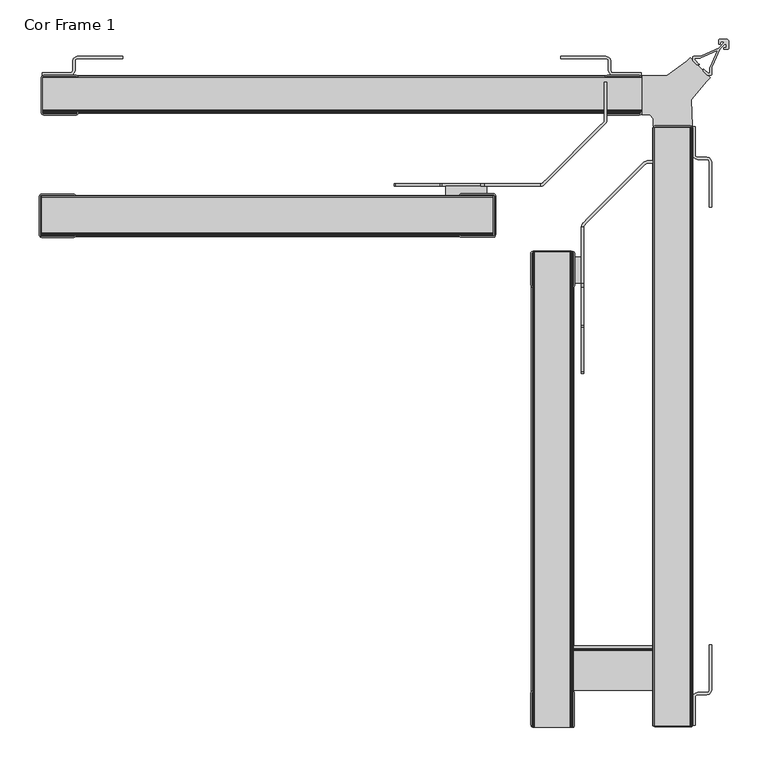
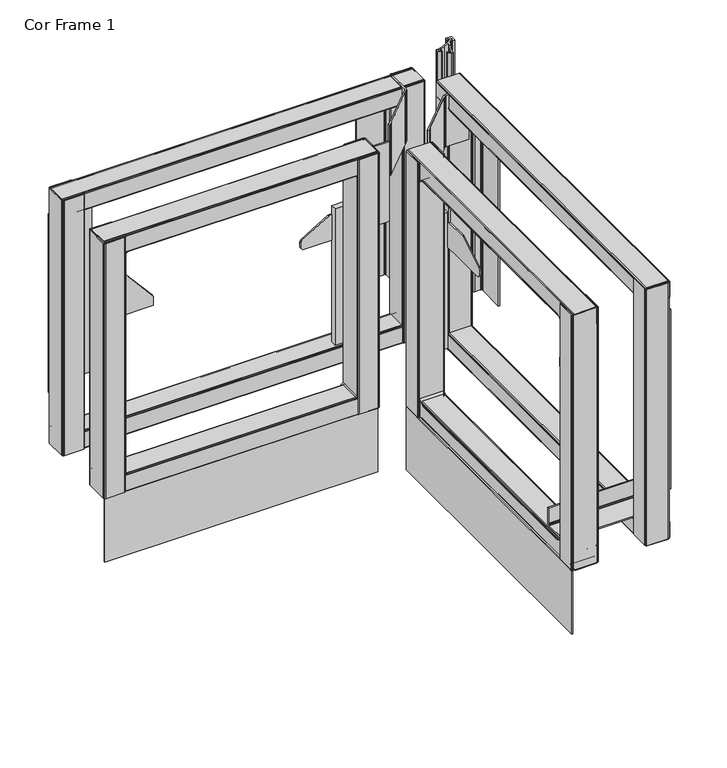
"""IFC4 building model written with IfcOpenShell, lengths in millimetres: furniture geometry, Cor Frame 1."""

from ifc_helpers import new_model, si_unit, point, frame, frame_2d, origin, origin_with_axes, place, context, project, spatial, polyline, circle_curve, trimmed, segment, composite_curve, outline, extrude, source, transform, mapped, element, save


def cor_frame_1_b9cc3aae(model_context):
    return source(origin(), model_context, "Body", "SweptSolid", [
        extrude(outline(polyline([(0.0, -226.566941), (573.0647824, -226.566941), (573.0647824, -228.5988664), (0.0, -228.5988664), (0.0, -226.566941)])), origin_with_axes(), (0.0, 0.0, 1.0), 142.2400006),
        extrude(outline(polyline([(685.3848199, -254.7622891), (685.3848199, -287.8070573), (675.2994826, -287.8070573), (675.2994826, -254.7622891), (685.3848199, -254.7622891)])), frame((0.0, 0.0, 270.8106843), z_axis=(0.0, 0.0, 1.0), x_axis=(1.0, 0.0, 0.0)), (0.0, 0.0, 1.0), 302.8186591),
        extrude(outline(polyline([(565.0267924, -164.8726753), (565.0267924, -176.7758205), (513.2720922, -176.7758205), (513.2720922, -164.8726753), (565.0267924, -164.8726753)])), frame((0.0, 0.0, 270.8106843), z_axis=(0.0, 0.0, 1.0), x_axis=(1.0, 0.0, 0.0)), (0.0, 0.0, 1.0), 302.8186591),
        extrude(outline(polyline([(-800.2294182, 497.0420085), (-803.3409198, 497.8757149), (-805.6186968, 500.1534828), (-806.4524214, 503.2649935), (-806.4524214, 580.3241343), (-802.2345465, 584.5420092), (-800.4044212, 586.37213), (-797.9044193, 587.0420019), (-781.0520959, 587.0420019), (-779.634845, 586.8369272), (-778.3338434, 586.2385626), (-777.2558114, 585.2959602), (-719.956134, 518.4463343), (-719.3000693, 517.4675786), (-718.8912553, 516.3624862), (-718.7524193, 515.1923904), (-718.7524193, 497.0420085), (-800.2294182, 497.0420085)])), frame((672.1244785, 0.0, 0.0), z_axis=(1.0, 0.0, 0.0), x_axis=(0.0, 1.0, 0.0)), (0.0, 0.0, 1.0), 2.9480724),
        extrude(outline(polyline([(497.0420085, 47.5022938), (497.0420085, 128.9792927), (515.1923904, 128.9792927), (516.3624862, 128.8404567), (517.4675786, 128.4316426), (518.4463343, 127.775578), (585.2959602, 70.4759006), (586.2385626, 69.3978686), (586.8369272, 68.096867), (587.0420019, 66.6796161), (587.0420019, 49.8272927), (586.37213, 47.3272908), (584.5420092, 45.4971654), (580.3241343, 41.2792906), (503.2649935, 41.2792906), (500.1534828, 42.1130152), (497.8757149, 44.3907922), (497.0420085, 47.5022938)])), frame((0.0, -181.5383205, 0.0), z_axis=(0.0, 1.0, 0.0), x_axis=(0.0, 0.0, 1.0)), (0.0, 0.0, 1.0), 2.9458206),
        extrude(outline(polyline([(-216.3709926, 497.0420085), (-397.8070473, 497.0420085), (-402.8070691, 502.041994), (-402.8070691, 514.2191214), (-400.3900291, 518.5002917), (-343.9985221, 552.5231423), (-341.4155402, 553.2419938), (-292.807061, 553.2419938), (-292.807061, 668.2419874), (-287.8070573, 673.2419729), (-216.3709926, 673.2419729), (-216.3709926, 497.0420085)])), frame((685.3848199, 0.0, 0.0), z_axis=(1.0, 0.0, 0.0), x_axis=(0.0, 1.0, 0.0)), (0.0, 0.0, 1.0), 3.0479971),
        extrude(outline(polyline([(497.0420085, 633.9198364), (673.2419729, 633.9198364), (673.2419729, 562.4837716), (668.2419874, 557.4837679), (553.2419938, 557.4837679), (553.2419938, 508.8752887), (552.5231423, 506.2923069), (518.5002917, 449.9007998), (514.2191214, 447.4837598), (502.041994, 447.4837598), (497.0420085, 452.4837817), (497.0420085, 633.9198364)])), frame((0.0, -164.8726753, 0.0), z_axis=(0.0, 1.0, 0.0), x_axis=(0.0, 0.0, 1.0)), (0.0, 0.0, 1.0), 3.0479971),
        extrude(outline(polyline([(633.8786218, -164.8647944), (633.8786218, -161.8167973), (634.7003739, -161.7085917), (635.4661157, -161.3913872), (636.1236882, -160.8868395), (637.5379006, -159.472609), (641.0734224, -155.9371416), (708.6148757, -88.3956248), (712.1504066, -84.8601574), (713.5646281, -83.4459269), (714.0691939, -82.7883362), (714.3863712, -82.0226126), (714.4945586, -81.2008604), (714.4945586, -32.7785254), (717.5425557, -32.7785254), (717.5425557, -81.2008604), (717.3305138, -82.8114453), (716.7088402, -84.3123711), (715.7198835, -85.6011732), (714.3056712, -87.0154038), (710.7701402, -90.5509438), (643.2286869, -158.092388), (639.6931469, -161.627928), (638.2789346, -163.0420859), (636.9901142, -164.0310517), (635.4892429, -164.6527434), (633.8786218, -164.8647944)])), frame((0.0, 0.0, 597.0420093), z_axis=(0.0, 0.0, 1.0), x_axis=(1.0, 0.0, 0.0)), (0.0, 0.0, 1.0), 113.7000003),
        extrude(outline(polyline([(685.3848199, -216.3709926), (685.596871, -214.7603714), (686.2185627, -213.2595001), (687.2075285, -211.9706798), (688.6216863, -210.5564674), (692.1572263, -207.0209274), (759.6986705, -139.4794741), (763.2342105, -135.9439432), (764.6484411, -134.5297308), (765.9372432, -133.5407741), (767.4381691, -132.9191005), (769.0487539, -132.7070586), (817.4710889, -132.7070586), (817.4710889, -135.7550557), (769.0487539, -135.7550557), (768.2270017, -135.8632432), (767.4612781, -136.1804204), (766.8036874, -136.6849862), (765.3894569, -138.0992077), (761.8539896, -141.6347386), (694.3124727, -209.1761919), (690.7770053, -212.7117137), (689.3627748, -214.1259261), (688.8582271, -214.7834986), (688.5410226, -215.5492404), (688.432817, -216.3709926), (685.3848199, -216.3709926)])), frame((0.0, 0.0, 597.0420093), z_axis=(0.0, 0.0, 1.0), x_axis=(1.0, 0.0, 0.0)), (0.0, 0.0, 1.0), 113.7000003),
        extrude(outline(polyline([(-224.6105092, 670.633925), (-226.4171717, 671.1180192), (-227.5793056, 672.2801498), (-227.8062373, 673.1270707), (-227.8062373, 707.4495339), (-227.1127976, 708.898009), (-225.805669, 709.8672858), (-224.6312332, 710.0924814), (-179.456232, 710.092486), (-177.8454079, 708.898009), (-177.1519681, 707.4495385), (-177.1519682, 705.3201518), (-177.1519687, 674.608229), (-177.7757757, 672.2801498), (-178.9379063, 671.1180192), (-180.7445705, 670.633925), (-224.6105092, 670.633925)]), holes=[composite_curve([segment(polyline([(-225.25623, 672.2730899), (-180.164026, 672.2730899)]), True, "CONTINUOUS"), segment(trimmed(circle_curve(frame_2d((-180.164026, 673.4793663)), 1.2062764), [point((-180.164026, 672.2730899))], [point((-178.9577496, 673.4793662))], True, "CARTESIAN"), True, "CONTINUOUS"), segment(polyline([(-178.9577496, 673.4793662), (-178.9577493, 706.8334351)]), True, "CONTINUOUS"), segment(trimmed(circle_curve(frame_2d((-180.2125782, 706.8334351)), 1.2548289), [point((-178.9577493, 706.8334351))], [point((-180.2125782, 708.088264))], True, "CARTESIAN"), True, "CONTINUOUS"), segment(polyline([(-180.2125782, 708.088264), (-225.1930729, 708.088264)]), True, "CONTINUOUS"), segment(trimmed(circle_curve(frame_2d((-225.1930729, 707.2312742)), 0.8569898), [point((-225.1930729, 708.088264))], [point((-226.0500627, 707.2312742))], True, "CARTESIAN"), True, "CONTINUOUS"), segment(polyline([(-226.0500627, 707.2312742), (-226.0500627, 706.1659872), (-226.0500627, 673.0669225)]), True, "CONTINUOUS"), segment(trimmed(circle_curve(frame_2d((-225.25623, 673.0669225)), 0.7938326), [point((-226.0500627, 673.0669225))], [point((-225.25623, 672.2730899))], True, "CARTESIAN"), True, "CONTINUOUS")], self_intersect=False)]), frame((0.0, 0.0, 0.0), z_axis=(1.0, 0.0, 0.0), x_axis=(0.0, 1.0, 0.0)), (0.0, 0.0, 1.0), 573.0647824),
        extrude(outline(polyline([(-225.4042592, 140.408925), (-227.2109217, 140.8930192), (-228.3730556, 142.0551498), (-228.5999873, 142.9020707), (-228.5999873, 177.2245339), (-227.9065476, 178.673009), (-226.599419, 179.6422858), (-225.4249832, 179.8674814), (-180.249982, 179.867486), (-178.6391579, 178.673009), (-177.9457181, 177.2245385), (-177.9457182, 175.0951518), (-177.9457187, 144.383229), (-178.5695257, 142.0551498), (-179.7316563, 140.8930192), (-181.5383205, 140.408925), (-225.4042592, 140.408925)]), holes=[composite_curve([segment(polyline([(-226.04998, 142.0480899), (-180.957776, 142.0480899)]), True, "CONTINUOUS"), segment(trimmed(circle_curve(frame_2d((-180.957776, 143.2543663)), 1.2062764), [point((-180.957776, 142.0480899))], [point((-179.7514996, 143.2543662))], True, "CARTESIAN"), True, "CONTINUOUS"), segment(polyline([(-179.7514996, 143.2543662), (-179.7514993, 176.6084351)]), True, "CONTINUOUS"), segment(trimmed(circle_curve(frame_2d((-181.0063282, 176.6084351)), 1.2548289), [point((-179.7514993, 176.6084351))], [point((-181.0063282, 177.863264))], True, "CARTESIAN"), True, "CONTINUOUS"), segment(polyline([(-181.0063282, 177.863264), (-225.9868229, 177.863264)]), True, "CONTINUOUS"), segment(trimmed(circle_curve(frame_2d((-225.9868229, 177.0062742)), 0.8569898), [point((-225.9868229, 177.863264))], [point((-226.8438127, 177.0062742))], True, "CARTESIAN"), True, "CONTINUOUS"), segment(polyline([(-226.8438127, 177.0062742), (-226.8438127, 175.9409872), (-226.8438127, 142.8419225)]), True, "CONTINUOUS"), segment(trimmed(circle_curve(frame_2d((-226.04998, 142.8419225)), 0.7938326), [point((-226.8438127, 142.8419225))], [point((-226.04998, 142.0480899))], True, "CARTESIAN"), True, "CONTINUOUS")], self_intersect=False)]), frame((0.0, 0.0, 0.0), z_axis=(1.0, 0.0, 0.0), x_axis=(0.0, 1.0, 0.0)), (0.0, 0.0, 1.0), 573.0647824),
        extrude(outline(polyline([(533.0843196, -229.8375756), (531.4968211, -229.4122062), (530.3346873, -228.2500757), (530.1077556, -227.4031548), (530.1077556, -177.1057998), (530.8011953, -175.6573248), (532.1083239, -174.688048), (533.2827592, -174.4628524), (574.4890115, -174.4628483), (576.0998349, -175.6573248), (576.7932747, -177.1057953), (576.7932747, -179.235182), (576.7932738, -225.9219975), (576.1694671, -228.2500757), (575.0073365, -229.4122063), (573.4198366, -229.8375756), (533.0843196, -229.8375756)]), holes=[composite_curve([segment(polyline([(532.6577628, -227.9325755), (573.7812164, -227.9325755)]), True, "CONTINUOUS"), segment(trimmed(circle_curve(frame_2d((573.7812164, -226.7262991)), 1.2062764), [point((573.7812164, -227.9325755))], [point((574.9874928, -226.7262992))], True, "CARTESIAN"), True, "CONTINUOUS"), segment(polyline([(574.9874928, -226.7262992), (574.9874936, -177.7218987)]), True, "CONTINUOUS"), segment(trimmed(circle_curve(frame_2d((573.7326647, -177.7218986)), 1.2548289), [point((574.9874936, -177.7218987))], [point((573.7326647, -176.4670698))], True, "CARTESIAN"), True, "CONTINUOUS"), segment(polyline([(573.7326647, -176.4670698), (532.72092, -176.4670698)]), True, "CONTINUOUS"), segment(trimmed(circle_curve(frame_2d((532.72092, -177.3240596)), 0.8569898), [point((532.72092, -176.4670698))], [point((531.8639302, -177.3240596))], True, "CARTESIAN"), True, "CONTINUOUS"), segment(polyline([(531.8639302, -177.3240596), (531.8639302, -178.3893466), (531.8639302, -227.1387429)]), True, "CONTINUOUS"), segment(trimmed(circle_curve(frame_2d((532.6577628, -227.1387429)), 0.7938326), [point((531.8639302, -227.1387429))], [point((532.6577628, -227.9325755))], True, "CARTESIAN"), True, "CONTINUOUS")], self_intersect=False)]), frame((0.0, 0.0, 142.2400006), z_axis=(0.0, 0.0, 1.0), x_axis=(1.0, 0.0, 0.0)), (0.0, 0.0, 1.0), 565.9119781),
        extrude(outline(polyline([(0.1933567, -230.2344506), (-1.3941418, -229.8090812), (-2.5562756, -228.6469507), (-2.7832073, -227.8000298), (-2.7832073, -177.5026748), (-2.0897676, -176.0541998), (-0.782639, -175.084923), (0.3917964, -174.8597274), (41.5980487, -174.8597233), (43.2088721, -176.0541998), (43.9023119, -177.5026703), (43.9023118, -179.632057), (43.902311, -226.3188725), (43.2785043, -228.6469507), (42.1163736, -229.8090813), (40.5288737, -230.2344506), (0.1933567, -230.2344506)]), holes=[composite_curve([segment(polyline([(-0.2332, -228.3294505), (40.8902535, -228.3294505)]), True, "CONTINUOUS"), segment(trimmed(circle_curve(frame_2d((40.8902535, -227.1231741)), 1.2062764), [point((40.8902535, -228.3294505))], [point((42.0965299, -227.1231742))], True, "CARTESIAN"), True, "CONTINUOUS"), segment(polyline([(42.0965299, -227.1231742), (42.0965307, -178.1187737)]), True, "CONTINUOUS"), segment(trimmed(circle_curve(frame_2d((40.8417018, -178.1187736)), 1.2548289), [point((42.0965307, -178.1187737))], [point((40.8417018, -176.8639448))], True, "CARTESIAN"), True, "CONTINUOUS"), segment(polyline([(40.8417018, -176.8639448), (-0.1700429, -176.8639448)]), True, "CONTINUOUS"), segment(trimmed(circle_curve(frame_2d((-0.1700429, -177.7209346)), 0.8569898), [point((-0.1700429, -176.8639448))], [point((-1.0270327, -177.7209346))], True, "CARTESIAN"), True, "CONTINUOUS"), segment(polyline([(-1.0270327, -177.7209346), (-1.0270327, -178.7862216), (-1.0270327, -227.5356179)]), True, "CONTINUOUS"), segment(trimmed(circle_curve(frame_2d((-0.2332, -227.5356179)), 0.7938326), [point((-1.0270327, -227.5356179))], [point((-0.2332, -228.3294505))], True, "CARTESIAN"), True, "CONTINUOUS")], self_intersect=False)]), frame((0.0, 0.0, 142.2400006), z_axis=(0.0, 0.0, 1.0), x_axis=(1.0, 0.0, 0.0)), (0.0, 0.0, 1.0), 565.9119781),
        extrude(outline(composite_curve([segment(trimmed(circle_curve(frame_2d((689.1019787, 19.681731)), 19.05), [point((708.1519787, 19.681731))], [point((689.1019787, 0.631731))], False, "CARTESIAN"), True, "CONTINUOUS"), segment(polyline([(689.1019787, 0.631731), (164.3379977, 0.631731)]), True, "CONTINUOUS"), segment(trimmed(circle_curve(frame_2d((164.3379977, 19.681731)), 19.05), [point((164.3379977, 0.631731))], [point((145.2879977, 19.681731))], False, "CARTESIAN"), True, "CONTINUOUS"), segment(polyline([(145.2879977, 19.681731), (145.2879977, 555.5017924)]), True, "CONTINUOUS"), segment(trimmed(circle_curve(frame_2d((164.3379977, 555.5017924)), 19.05), [point((145.2879977, 555.5017924))], [point((164.3379977, 574.5517924))], False, "CARTESIAN"), True, "CONTINUOUS"), segment(polyline([(164.3379977, 574.5517924), (689.1019787, 574.5517924)]), True, "CONTINUOUS"), segment(trimmed(circle_curve(frame_2d((689.1019787, 555.5017924)), 19.05), [point((689.1019787, 574.5517924))], [point((708.1519787, 555.5017924))], False, "CARTESIAN"), True, "CONTINUOUS"), segment(polyline([(708.1519787, 555.5017924), (708.1519787, 19.681731)]), True, "CONTINUOUS")], self_intersect=False), holes=[composite_curve([segment(polyline([(676.3210001, 60.3250015), (676.3210001, 514.2267909)]), True, "CONTINUOUS"), segment(trimmed(circle_curve(frame_2d((657.2710001, 514.2267909)), 19.05), [point((676.3210001, 514.2267909))], [point((657.2710001, 533.2767909))], True, "CARTESIAN"), True, "CONTINUOUS"), segment(polyline([(657.2710001, 533.2767909), (193.2638393, 533.2767909)]), True, "CONTINUOUS"), segment(trimmed(circle_curve(frame_2d((193.2638393, 514.2267909)), 19.05), [point((193.2638393, 533.2767909))], [point((174.2138393, 514.2267909))], True, "CARTESIAN"), True, "CONTINUOUS"), segment(polyline([(174.2138393, 514.2267909), (174.2138393, 60.3250015)]), True, "CONTINUOUS"), segment(trimmed(circle_curve(frame_2d((193.2638393, 60.3250015)), 19.05), [point((174.2138393, 60.3250015))], [point((193.2638393, 41.2750015))], True, "CARTESIAN"), True, "CONTINUOUS"), segment(polyline([(193.2638393, 41.2750015), (657.2710001, 41.2750015)]), True, "CONTINUOUS"), segment(trimmed(circle_curve(frame_2d((657.2710001, 60.3250015)), 19.05), [point((657.2710001, 41.2750015))], [point((676.3210001, 60.3250015))], True, "CARTESIAN"), True, "CONTINUOUS")], self_intersect=False)]), frame((0.0, -227.5757721, 0.0), z_axis=(0.0, 1.0, 0.0), x_axis=(0.0, 0.0, 1.0)), (0.0, 0.0, 1.0), 50.7999516),
        extrude(outline(polyline([(-749.0452291, 217.1649967), (-749.0452291, 183.3880068), (-749.8789537, 180.2764961), (-752.1567216, 177.9987282), (-755.2682141, 177.1650036), (-805.4952264, 177.1650036), (-805.4952264, 180.2130007), (-755.2682141, 180.2130007), (-753.6807202, 180.6383745), (-752.5186, 181.8004947), (-752.0932262, 183.3880068), (-752.0932262, 217.1649967), (-749.0452291, 217.1649967)])), frame((629.3807693, 0.0, 0.0), z_axis=(1.0, 0.0, 0.0), x_axis=(0.0, 1.0, 0.0)), (0.0, 0.0, 1.0), 192.2780165),
        extrude(outline(polyline([(776.7687206, -78.8763969), (771.7687351, -73.8763841), (761.999782, -73.8763467), (761.9999273, -24.853354), (793.9644007, -24.8534458), (818.8310193, -6.3585579), (823.225914, -1.96377), (848.6816277, -27.4196875), (844.2868162, -31.8145408), (824.89151, -54.7452231), (825.9938372, -88.6455368), (776.7687206, -88.6453954), (776.7687206, -78.8763969)])), frame((0.0, 0.0, 446.8009254), z_axis=(0.0, 0.0, 1.0), x_axis=(1.0, 0.0, 0.0)), (0.0, 0.0, 1.0), 3.1075138),
        extrude(outline(composite_curve([segment(polyline([(840.7142486, -16.1995263), (846.120508, -21.6057763), (847.5538778, -21.6223336)]), True, "CONTINUOUS"), segment(trimmed(circle_curve(frame_2d((847.5611598, -20.9919215)), 0.6304541), [point((847.5538778, -21.6223336))], [point((848.191614, -20.9919215))], True, "CARTESIAN"), True, "CONTINUOUS"), segment(polyline([(848.191614, -20.9919215), (848.191614, -15.9737661), (848.2500406, -15.1387278), (848.4240126, -14.3199426), (848.7103716, -13.5332399), (857.4882849, 6.18199), (856.8280781, 6.8421332), (845.5869764, 1.838026), (837.112203, -1.9351517), (836.3256231, -2.2214464), (835.5068504, -2.3954842), (834.6717997, -2.4538723), (829.8381843, -2.4538595)]), True, "CONTINUOUS"), segment(trimmed(circle_curve(frame_2d((829.8381821, -3.2667454)), 0.8128858), [point((829.8381843, -2.4538595))], [point((829.0253503, -3.2761143))], True, "CARTESIAN"), True, "CONTINUOUS"), segment(polyline([(829.0253503, -3.2761143), (829.0397453, -4.5250027), (834.537224, -10.0224718)]), True, "CONTINUOUS"), segment(trimmed(circle_curve(frame_2d((834.2442676, -10.3154288)), 0.4143033), [point((834.537224, -10.0224718))], [point((834.2413862, -10.729722))], False, "CARTESIAN"), True, "CONTINUOUS"), segment(polyline([(834.2413862, -10.729722), (831.9760065, -10.7139665), (826.6722116, -5.4100985), (826.6722826, -1.4541056)]), True, "CONTINUOUS"), segment(trimmed(circle_curve(frame_2d((827.9725591, -1.4541289)), 1.3002766), [point((826.6722826, -1.4541056))], [point((827.9725632, -0.1538524))], False, "CARTESIAN"), True, "CONTINUOUS"), segment(polyline([(827.9725632, -0.1538524), (834.1829487, -0.1538719), (835.0179995, -0.0954815), (835.8367722, 0.078554), (836.6233521, 0.3648487), (843.8449316, 3.5800822), (859.4952917, 10.5472485), (865.6680394, 16.7199656)]), True, "CONTINUOUS"), segment(trimmed(circle_curve(frame_2d((864.9098529, 17.4781558)), 1.0722403), [point((865.6680394, 16.7199656))], [point((864.909797, 18.5503961))], True, "CARTESIAN"), True, "CONTINUOUS"), segment(polyline([(864.909797, 18.5503961), (862.6601995, 18.5502789)]), True, "CONTINUOUS"), segment(trimmed(circle_curve(frame_2d((862.6602446, 17.6856276)), 0.8646513), [point((862.6601995, 18.5502789))], [point((861.7955933, 17.6855963))], True, "CARTESIAN"), True, "CONTINUOUS"), segment(polyline([(861.7955933, 17.6855963), (861.7956505, 16.1099291)]), True, "CONTINUOUS"), segment(trimmed(circle_curve(frame_2d((861.2330068, 16.1099087)), 0.5626437), [point((861.7956505, 16.1099291))], [point((861.2330362, 15.5472649))], False, "CARTESIAN"), True, "CONTINUOUS"), segment(polyline([(861.2330362, 15.5472649), (860.0371774, 15.5472023)]), True, "CONTINUOUS"), segment(trimmed(circle_curve(frame_2d((860.037149, 16.0887055)), 0.5415032), [point((860.0371774, 15.5472023))], [point((859.4956458, 16.0886793))], False, "CARTESIAN"), True, "CONTINUOUS"), segment(polyline([(859.4956458, 16.0886793), (859.495434, 20.4632737)]), True, "CONTINUOUS"), segment(trimmed(circle_curve(frame_2d((860.5822735, 20.4633263)), 1.0868395), [point((859.495434, 20.4632737))], [point((860.5822954, 21.5501659))], False, "CARTESIAN"), True, "CONTINUOUS"), segment(polyline([(860.5822954, 21.5501659), (870.1961575, 21.5499723), (871.1961691, 21.2820199), (871.9282465, 20.5499652), (872.1961807, 19.5499672), (872.1961077, 9.8060175)]), True, "CONTINUOUS"), segment(trimmed(circle_curve(frame_2d((871.2400515, 9.8060246)), 0.9560562), [point((872.1961077, 9.8060175))], [point((871.2400486, 8.8499684))], False, "CARTESIAN"), True, "CONTINUOUS"), segment(polyline([(871.2400486, 8.8499684), (866.7365405, 8.849982)]), True, "CONTINUOUS"), segment(trimmed(circle_curve(frame_2d((866.7365421, 9.39332)), 0.543338), [point((866.7365405, 8.849982))], [point((866.1932041, 9.39332))], False, "CARTESIAN"), True, "CONTINUOUS"), segment(polyline([(866.1932041, 9.39332), (866.1932041, 10.5520556)]), True, "CONTINUOUS"), segment(trimmed(circle_curve(frame_2d((866.7911304, 10.5520556)), 0.5979263), [point((866.1932041, 10.5520556))], [point((866.7911324, 11.1499819))], False, "CARTESIAN"), True, "CONTINUOUS"), segment(polyline([(866.7911324, 11.1499819), (868.573447, 11.1499758)]), True, "CONTINUOUS"), segment(trimmed(circle_curve(frame_2d((868.5734492, 11.7726725)), 0.6226967), [point((868.573447, 11.1499758))], [point((869.1961458, 11.7726725))], True, "CARTESIAN"), True, "CONTINUOUS"), segment(polyline([(869.1961458, 11.7726725), (869.1961458, 14.3572847)]), True, "CONTINUOUS"), segment(trimmed(circle_curve(frame_2d((868.1624249, 14.3572847)), 1.0337209), [point((869.1961458, 14.3572847))], [point((867.4314778, 15.0882397))], True, "CARTESIAN"), True, "CONTINUOUS"), segment(polyline([(867.4314778, 15.0882397), (861.1943665, 8.8511953), (854.2256207, -6.8006648), (851.0103373, -14.0222341), (850.7240175, -14.8088293), (850.5499729, -15.6276145), (850.4916189, -16.4626528), (850.4916189, -22.9129112)]), True, "CONTINUOUS"), segment(trimmed(circle_curve(frame_2d((849.4312197, -22.9129112)), 1.0603992), [point((850.4916189, -22.9129112))], [point((849.4312167, -23.9733104))], False, "CARTESIAN"), True, "CONTINUOUS"), segment(polyline([(849.4312167, -23.9733104), (845.2352687, -23.9732983), (839.9315183, -18.6694747), (839.9166319, -16.5331708)]), True, "CONTINUOUS"), segment(trimmed(circle_curve(frame_2d((840.3838604, -16.529915)), 0.4672399), [point((839.9166319, -16.5331708))], [point((840.7142486, -16.1995263))], False, "CARTESIAN"), True, "CONTINUOUS")], self_intersect=False)), frame((0.0, 0.0, 142.2400006), z_axis=(0.0, 0.0, 1.0), x_axis=(1.0, 0.0, 0.0)), (0.0, 0.0, 1.0), 567.85133),
        extrude(outline(polyline([(670.633925, 671.3100045), (671.1180192, 673.1166671), (672.2801498, 674.2788009), (673.1270707, 674.5057326), (707.4495339, 674.5057326), (708.898009, 673.8122929), (709.8672858, 672.5051643), (710.0924814, 671.3307285), (710.092486, 626.1557273), (708.898009, 624.5449032), (707.4495385, 623.8514635), (705.3201518, 623.8514635), (674.608229, 623.851464), (672.2801498, 624.475271), (671.1180192, 625.6374017), (670.633925, 627.4440659), (670.633925, 671.3100045)]), holes=[composite_curve([segment(polyline([(672.2730899, 671.9557254), (672.2730899, 626.8635213)]), True, "CONTINUOUS"), segment(trimmed(circle_curve(frame_2d((673.4793663, 626.8635213)), 1.2062764), [point((672.2730899, 626.8635213))], [point((673.4793662, 625.6572449))], True, "CARTESIAN"), True, "CONTINUOUS"), segment(polyline([(673.4793662, 625.6572449), (706.8334351, 625.6572446)]), True, "CONTINUOUS"), segment(trimmed(circle_curve(frame_2d((706.8334351, 626.9120735)), 1.2548289), [point((706.8334351, 625.6572446))], [point((708.088264, 626.9120735))], True, "CARTESIAN"), True, "CONTINUOUS"), segment(polyline([(708.088264, 626.9120735), (708.088264, 671.8925682)]), True, "CONTINUOUS"), segment(trimmed(circle_curve(frame_2d((707.2312742, 671.8925682)), 0.8569898), [point((708.088264, 671.8925682))], [point((707.2312742, 672.749558))], True, "CARTESIAN"), True, "CONTINUOUS"), segment(polyline([(707.2312742, 672.749558), (706.1659872, 672.749558), (673.0669225, 672.749558)]), True, "CONTINUOUS"), segment(trimmed(circle_curve(frame_2d((673.0669225, 671.9557254)), 0.7938326), [point((673.0669225, 672.749558))], [point((672.2730899, 671.9557254))], True, "CARTESIAN"), True, "CONTINUOUS")], self_intersect=False)]), frame((0.0, -852.2329136, 0.0), z_axis=(0.0, 1.0, 0.0), x_axis=(0.0, 0.0, 1.0)), (0.0, 0.0, 1.0), 603.3117362),
        extrude(outline(polyline([(140.408925, 672.1037545), (140.8930192, 673.9104171), (142.0551498, 675.0725509), (142.9020707, 675.2994826), (177.2245339, 675.2994826), (178.673009, 674.6060429), (179.6422858, 673.2989143), (179.8674814, 672.1244785), (179.867486, 626.9494773), (178.673009, 625.3386532), (177.2245385, 624.6452135), (175.0951518, 624.6452135), (144.383229, 624.645214), (142.0551498, 625.269021), (140.8930192, 626.4311517), (140.408925, 628.2378159), (140.408925, 672.1037545)]), holes=[composite_curve([segment(polyline([(142.0480899, 672.7494754), (142.0480899, 627.6572713)]), True, "CONTINUOUS"), segment(trimmed(circle_curve(frame_2d((143.2543663, 627.6572713)), 1.2062764), [point((142.0480899, 627.6572713))], [point((143.2543662, 626.4509949))], True, "CARTESIAN"), True, "CONTINUOUS"), segment(polyline([(143.2543662, 626.4509949), (176.6084351, 626.4509946)]), True, "CONTINUOUS"), segment(trimmed(circle_curve(frame_2d((176.6084351, 627.7058235)), 1.2548289), [point((176.6084351, 626.4509946))], [point((177.863264, 627.7058235))], True, "CARTESIAN"), True, "CONTINUOUS"), segment(polyline([(177.863264, 627.7058235), (177.863264, 672.6863182)]), True, "CONTINUOUS"), segment(trimmed(circle_curve(frame_2d((177.0062742, 672.6863182)), 0.8569898), [point((177.863264, 672.6863182))], [point((177.0062742, 673.543308))], True, "CARTESIAN"), True, "CONTINUOUS"), segment(polyline([(177.0062742, 673.543308), (175.9409872, 673.543308), (142.8419225, 673.543308)]), True, "CONTINUOUS"), segment(trimmed(circle_curve(frame_2d((142.8419225, 672.7494754)), 0.7938326), [point((142.8419225, 673.543308))], [point((142.0480899, 672.7494754))], True, "CARTESIAN"), True, "CONTINUOUS")], self_intersect=False)]), frame((0.0, -852.2329136, 0.0), z_axis=(0.0, 1.0, 0.0), x_axis=(0.0, 0.0, 1.0)), (0.0, 0.0, 1.0), 603.3438128),
        extrude(outline(polyline([(140.408925, 823.475285), (140.8930192, 825.2819475), (142.0551498, 826.4440814), (142.9020707, 826.6710131), (177.2245339, 826.6710131), (178.673009, 825.9775734), (179.6422858, 824.6704448), (179.8674814, 823.496009), (179.867486, 778.3210078), (178.673009, 776.7101837), (177.2245385, 776.0167439), (175.0951518, 776.016744), (144.383229, 776.0167445), (142.0551498, 776.6405515), (140.8930192, 777.8026821), (140.408925, 779.6093463), (140.408925, 823.475285)]), holes=[composite_curve([segment(polyline([(142.0480899, 824.1210058), (142.0480899, 779.0288018)]), True, "CONTINUOUS"), segment(trimmed(circle_curve(frame_2d((143.2543663, 779.0288018)), 1.2062764), [point((142.0480899, 779.0288018))], [point((143.2543662, 777.8225254))], True, "CARTESIAN"), True, "CONTINUOUS"), segment(polyline([(143.2543662, 777.8225254), (176.6084351, 777.8225251)]), True, "CONTINUOUS"), segment(trimmed(circle_curve(frame_2d((176.6084351, 779.077354)), 1.2548289), [point((176.6084351, 777.8225251))], [point((177.863264, 779.077354))], True, "CARTESIAN"), True, "CONTINUOUS"), segment(polyline([(177.863264, 779.077354), (177.863264, 824.0578487)]), True, "CONTINUOUS"), segment(trimmed(circle_curve(frame_2d((177.0062742, 824.0578487)), 0.8569898), [point((177.863264, 824.0578487))], [point((177.0062742, 824.9148385))], True, "CARTESIAN"), True, "CONTINUOUS"), segment(polyline([(177.0062742, 824.9148385), (175.9409872, 824.9148385), (142.8419225, 824.9148385)]), True, "CONTINUOUS"), segment(trimmed(circle_curve(frame_2d((142.8419225, 824.1210058)), 0.7938326), [point((142.8419225, 824.9148385))], [point((142.0480899, 824.1210058))], True, "CARTESIAN"), True, "CONTINUOUS")], self_intersect=False)]), frame((0.0, -850.6454136, 0.0), z_axis=(0.0, 1.0, 0.0), x_axis=(0.0, 0.0, 1.0)), (0.0, 0.0, 1.0), 760.1404539),
        extrude(outline(polyline([(-69.0752644, 140.4906375), (-70.881927, 140.9747318), (-72.0440608, 142.1368623), (-72.2709925, 142.9837832), (-72.2709925, 177.3062465), (-71.5775528, 178.7547215), (-70.2704242, 179.7239983), (-69.0959888, 179.9491939), (-27.8897365, 179.949198), (-26.2789131, 178.7547215), (-25.5854733, 177.306251), (-25.5854734, 175.1768643), (-25.5854739, 144.4649415), (-26.2092809, 142.1368623), (-27.3714116, 140.9747317), (-29.1780757, 140.4906375), (-69.0752644, 140.4906375)]), holes=[composite_curve([segment(polyline([(-69.7209852, 142.1298024), (-28.5975312, 142.1298024)]), True, "CONTINUOUS"), segment(trimmed(circle_curve(frame_2d((-28.5975312, 143.3360788)), 1.2062764), [point((-28.5975312, 142.1298024))], [point((-27.3912548, 143.3360787))], True, "CARTESIAN"), True, "CONTINUOUS"), segment(polyline([(-27.3912548, 143.3360787), (-27.3912545, 176.6901476)]), True, "CONTINUOUS"), segment(trimmed(circle_curve(frame_2d((-28.6460834, 176.6901476)), 1.2548289), [point((-27.3912545, 176.6901476))], [point((-28.6460834, 177.9449765))], True, "CARTESIAN"), True, "CONTINUOUS"), segment(polyline([(-28.6460834, 177.9449765), (-69.6578281, 177.9449765)]), True, "CONTINUOUS"), segment(trimmed(circle_curve(frame_2d((-69.6578281, 177.0879867)), 0.8569898), [point((-69.6578281, 177.9449765))], [point((-70.5148179, 177.0879867))], True, "CARTESIAN"), True, "CONTINUOUS"), segment(polyline([(-70.5148179, 177.0879867), (-70.5148179, 176.0226997), (-70.5148179, 142.923635)]), True, "CONTINUOUS"), segment(trimmed(circle_curve(frame_2d((-69.7209852, 142.923635)), 0.7938326), [point((-70.5148179, 142.923635))], [point((-69.7209852, 142.1298024))], True, "CARTESIAN"), True, "CONTINUOUS")], self_intersect=False)]), frame((1.508125, 0.0, 0.0), z_axis=(1.0, 0.0, 0.0), x_axis=(0.0, 1.0, 0.0)), (0.0, 0.0, 1.0), 760.1404539),
        extrude(outline(polyline([(674.4566942, 823.475285), (674.9407885, 825.2819475), (676.102919, 826.4440814), (676.9498399, 826.6710131), (711.2723032, 826.6710131), (712.7207782, 825.9775734), (713.690055, 824.6704448), (713.9152507, 823.496009), (713.9152552, 778.3210078), (712.7207782, 776.7101837), (711.2723077, 776.0167439), (709.1429211, 776.016744), (678.4309983, 776.0167445), (676.102919, 776.6405515), (674.9407884, 777.8026821), (674.4566942, 779.6093463), (674.4566942, 823.475285)]), holes=[composite_curve([segment(polyline([(676.0958591, 824.1210058), (676.0958591, 779.0288018)]), True, "CONTINUOUS"), segment(trimmed(circle_curve(frame_2d((677.3021355, 779.0288018)), 1.2062764), [point((676.0958591, 779.0288018))], [point((677.3021355, 777.8225254))], True, "CARTESIAN"), True, "CONTINUOUS"), segment(polyline([(677.3021355, 777.8225254), (710.6562043, 777.8225251)]), True, "CONTINUOUS"), segment(trimmed(circle_curve(frame_2d((710.6562044, 779.077354)), 1.2548289), [point((710.6562043, 777.8225251))], [point((711.9110332, 779.077354))], True, "CARTESIAN"), True, "CONTINUOUS"), segment(polyline([(711.9110332, 779.077354), (711.9110332, 824.0578487)]), True, "CONTINUOUS"), segment(trimmed(circle_curve(frame_2d((711.0540435, 824.0578487)), 0.8569898), [point((711.9110332, 824.0578487))], [point((711.0540435, 824.9148385))], True, "CARTESIAN"), True, "CONTINUOUS"), segment(polyline([(711.0540435, 824.9148385), (709.9887564, 824.9148385), (676.8896917, 824.9148385)]), True, "CONTINUOUS"), segment(trimmed(circle_curve(frame_2d((676.8896917, 824.1210058)), 0.7938326), [point((676.8896917, 824.9148385))], [point((676.0958591, 824.1210058))], True, "CARTESIAN"), True, "CONTINUOUS")], self_intersect=False)]), frame((0.0, -850.6454136, 0.0), z_axis=(0.0, 1.0, 0.0), x_axis=(0.0, 0.0, 1.0)), (0.0, 0.0, 1.0), 760.1404539),
        extrude(outline(polyline([(829.705533, -814.2777027), (829.705533, -849.7620232), (826.675293, -849.7620232), (826.6752936, -814.2493364), (827.4816797, -811.2398635), (829.705533, -809.0160121), (832.7433728, -808.202022), (844.5696131, -808.202022), (846.0885339, -807.7950292), (847.2004595, -806.6831013), (847.6074523, -805.1641851), (847.6074523, -747.739865), (850.6452938, -747.739865), (850.6452938, -805.1641851), (849.831306, -808.202022), (847.6074523, -810.4258779), (844.5696131, -811.2398635), (832.7433728, -811.2398635), (831.2244529, -811.6468563), (830.1125264, -812.7587842), (829.705533, -814.2777027)])), frame((0.0, 0.0, 249.7472486), z_axis=(0.0, 0.0, 1.0), x_axis=(1.0, 0.0, 0.0)), (0.0, 0.0, 1.0), 398.4147871),
        extrude(outline(polyline([(829.6979498, -125.0097177), (830.1049431, -126.5286361), (831.2168697, -127.6405641), (832.7357895, -128.0475568), (844.5620299, -128.0475568), (847.5998691, -128.8615424), (849.8237227, -131.0853983), (850.6377105, -134.1232352), (850.6377105, -191.5475553), (847.5998691, -191.5475553), (847.5998691, -134.1232352), (847.1928763, -132.604319), (846.0809506, -131.4923911), (844.5620299, -131.0853983), (832.7357895, -131.0853983), (829.6979498, -130.2714082), (827.4740964, -128.0475568), (826.6677104, -125.0380839), (826.6677097, -89.5253971), (829.6979498, -89.5253971), (829.6979498, -125.0097177)])), frame((0.0, 0.0, 249.7472486), z_axis=(0.0, 0.0, 1.0), x_axis=(1.0, 0.0, 0.0)), (0.0, 0.0, 1.0), 398.4147871),
        extrude(outline(polyline([(725.6356885, -20.9397608), (761.120009, -20.9397608), (761.120009, -23.9700008), (725.6073222, -23.9700002), (722.5978493, -23.1636141), (720.3739979, -20.9397608), (719.5600078, -17.901921), (719.5600078, -6.0756807), (719.153015, -4.5567599), (718.0410871, -3.4448342), (716.5221709, -3.0378415), (659.0978508, -3.0378415), (659.0978508, 0.0), (716.5221709, 0.0), (719.5600078, -0.8139878), (721.7838637, -3.0378415), (722.5978493, -6.0756807), (722.5978493, -17.901921), (723.0048421, -19.4208409), (724.11677, -20.5327674), (725.6356885, -20.9397608)])), frame((0.0, 0.0, 251.0568051), z_axis=(0.0, 0.0, 1.0), x_axis=(1.0, 0.0, 0.0)), (0.0, 0.0, 1.0), 397.1052306),
        extrude(outline(polyline([(36.3643206, -20.9397608), (37.8832391, -20.5327674), (38.995167, -19.4208409), (39.4021598, -17.901921), (39.4021598, -6.0756807), (40.2161454, -3.0378415), (42.4400013, -0.8139878), (45.4778382, 0.0), (102.9021583, 0.0), (102.9021583, -3.0378415), (45.4778382, -3.0378415), (43.958922, -3.4448342), (42.846994, -4.5567599), (42.4400013, -6.0756807), (42.4400013, -17.901921), (41.6260112, -20.9397608), (39.4021598, -23.1636141), (36.3926869, -23.9700002), (0.8800001, -23.9700008), (0.8800001, -20.9397608), (36.3643206, -20.9397608)])), frame((0.0, 0.0, 251.0568051), z_axis=(0.0, 0.0, 1.0), x_axis=(1.0, 0.0, 0.0)), (0.0, 0.0, 1.0), 397.1052306),
        extrude(outline(polyline([(623.4753159, -248.8891008), (623.4753159, -850.6454136), (621.4433905, -850.6454136), (621.4433905, -248.8891008), (623.4753159, -248.8891008)])), origin_with_axes(), (0.0, 0.0, 1.0), 139.700003),
        extrude(outline(polyline([(-68.3595847, 669.2853927), (-70.1662472, 669.769487), (-71.3283811, 670.9316175), (-71.5553128, 671.7785384), (-71.5553128, 706.1010017), (-70.8618731, 707.5494767), (-69.5547445, 708.5187535), (-68.3803091, 708.7439491), (-27.1740568, 708.7439532), (-25.5632334, 707.5494767), (-24.8697936, 706.1010063), (-24.8697937, 703.9716196), (-24.8697942, 673.2596968), (-25.4936012, 670.9316175), (-26.6557318, 669.769487), (-28.462396, 669.2853927), (-68.3595847, 669.2853927)]), holes=[composite_curve([segment(polyline([(-69.0053055, 670.9245576), (-27.8818515, 670.9245576)]), True, "CONTINUOUS"), segment(trimmed(circle_curve(frame_2d((-27.8818515, 672.130834)), 1.2062764), [point((-27.8818515, 670.9245576))], [point((-26.6755751, 672.130834))], True, "CARTESIAN"), True, "CONTINUOUS"), segment(polyline([(-26.6755751, 672.130834), (-26.6755748, 705.4849029)]), True, "CONTINUOUS"), segment(trimmed(circle_curve(frame_2d((-27.9304036, 705.4849029)), 1.2548289), [point((-26.6755748, 705.4849029))], [point((-27.9304036, 706.7397318))], True, "CARTESIAN"), True, "CONTINUOUS"), segment(polyline([(-27.9304036, 706.7397318), (-68.9421484, 706.7397318)]), True, "CONTINUOUS"), segment(trimmed(circle_curve(frame_2d((-68.9421484, 705.882742)), 0.8569898), [point((-68.9421484, 706.7397318))], [point((-69.7991382, 705.882742))], True, "CARTESIAN"), True, "CONTINUOUS"), segment(polyline([(-69.7991382, 705.882742), (-69.7991382, 704.8174549), (-69.7991382, 671.7183902)]), True, "CONTINUOUS"), segment(trimmed(circle_curve(frame_2d((-69.0053055, 671.7183902)), 0.7938326), [point((-69.7991382, 671.7183902))], [point((-69.0053055, 670.9245576))], True, "CARTESIAN"), True, "CONTINUOUS")], self_intersect=False)]), frame((1.508125, 0.0, 0.0), z_axis=(1.0, 0.0, 0.0), x_axis=(0.0, 1.0, 0.0)), (0.0, 0.0, 1.0), 760.1404539),
        extrude(outline(polyline([(676.5965627, -290.8243509), (676.1711934, -292.4118494), (675.0090628, -293.5739832), (674.162142, -293.8009149), (623.864787, -293.8009149), (622.416312, -293.1074753), (621.4470352, -291.8003466), (621.2218396, -290.6259113), (621.2218355, -249.419659), (622.416312, -247.8088356), (623.8647824, -247.1153958), (625.9941691, -247.1153958), (672.6809847, -247.1153967), (675.0090628, -247.7392034), (676.1711934, -248.901334), (676.5965627, -250.4888339), (676.5965627, -290.8243509)]), holes=[composite_curve([segment(polyline([(674.6915627, -291.2509077), (674.6915627, -250.1274541)]), True, "CONTINUOUS"), segment(trimmed(circle_curve(frame_2d((673.4852863, -250.1274541)), 1.2062764), [point((674.6915627, -250.1274541))], [point((673.4852863, -248.9211777))], True, "CARTESIAN"), True, "CONTINUOUS"), segment(polyline([(673.4852863, -248.9211777), (624.4808858, -248.9211769)]), True, "CONTINUOUS"), segment(trimmed(circle_curve(frame_2d((624.4808858, -250.1760058)), 1.2548289), [point((624.4808858, -248.9211769))], [point((623.2260569, -250.1760058))], True, "CARTESIAN"), True, "CONTINUOUS"), segment(polyline([(623.2260569, -250.1760058), (623.2260569, -291.1877505)]), True, "CONTINUOUS"), segment(trimmed(circle_curve(frame_2d((624.0830467, -291.1877505)), 0.8569898), [point((623.2260569, -291.1877505))], [point((624.0830467, -292.0447403))], True, "CARTESIAN"), True, "CONTINUOUS"), segment(polyline([(624.0830467, -292.0447403), (625.1483337, -292.0447403), (673.8977301, -292.0447403)]), True, "CONTINUOUS"), segment(trimmed(circle_curve(frame_2d((673.8977301, -291.2509077)), 0.7938326), [point((673.8977301, -292.0447403))], [point((674.6915627, -291.2509077))], True, "CARTESIAN"), True, "CONTINUOUS")], self_intersect=False)]), frame((0.0, 0.0, 142.2400006), z_axis=(0.0, 0.0, 1.0), x_axis=(1.0, 0.0, 0.0)), (0.0, 0.0, 1.0), 565.9119781),
        extrude(outline(polyline([(676.5370709, -849.6229467), (676.1117015, -851.2104452), (674.949571, -852.372579), (674.1026501, -852.5995107), (623.8052952, -852.5995107), (622.3568201, -851.9060711), (621.3875433, -850.5989424), (621.1623477, -849.4245071), (621.1623436, -808.2182548), (622.3568201, -806.6074314), (623.8052906, -805.9139916), (625.9346773, -805.9139916), (672.6214928, -805.9139925), (674.949571, -806.5377992), (676.1117016, -807.6999298), (676.5370709, -809.2874297), (676.5370709, -849.6229467)]), holes=[composite_curve([segment(polyline([(674.6320709, -850.0495035), (674.6320709, -808.9260499)]), True, "CONTINUOUS"), segment(trimmed(circle_curve(frame_2d((673.4257945, -808.9260499)), 1.2062764), [point((674.6320709, -808.9260499))], [point((673.4257945, -807.7197736))], True, "CARTESIAN"), True, "CONTINUOUS"), segment(polyline([(673.4257945, -807.7197736), (624.421394, -807.7197728)]), True, "CONTINUOUS"), segment(trimmed(circle_curve(frame_2d((624.421394, -808.9746016)), 1.2548289), [point((624.421394, -807.7197728))], [point((623.1665651, -808.9746016))], True, "CARTESIAN"), True, "CONTINUOUS"), segment(polyline([(623.1665651, -808.9746016), (623.1665651, -849.9863464)]), True, "CONTINUOUS"), segment(trimmed(circle_curve(frame_2d((624.0235549, -849.9863464)), 0.8569898), [point((623.1665651, -849.9863464))], [point((624.0235549, -850.8433361))], True, "CARTESIAN"), True, "CONTINUOUS"), segment(polyline([(624.0235549, -850.8433361), (625.0888419, -850.8433361), (673.8382382, -850.8433361)]), True, "CONTINUOUS"), segment(trimmed(circle_curve(frame_2d((673.8382382, -850.0495035)), 0.7938326), [point((673.8382382, -850.8433361))], [point((674.6320709, -850.0495035))], True, "CARTESIAN"), True, "CONTINUOUS")], self_intersect=False)]), frame((0.0, 0.0, 142.2400006), z_axis=(0.0, 0.0, 1.0), x_axis=(1.0, 0.0, 0.0)), (0.0, 0.0, 1.0), 565.9119781),
        extrude(outline(polyline([(826.7200564, -848.6307592), (826.294687, -850.2182577), (825.1325565, -851.3803915), (823.5450565, -851.8057607), (778.4277814, -851.8057607), (776.9793064, -851.1123211), (776.0100296, -849.8051924), (775.7848339, -848.6307567), (775.7848299, -808.2182548), (776.9793064, -806.6074314), (778.4277768, -805.9139916), (780.5571635, -805.9139916), (823.5450568, -805.9139924), (825.1325565, -806.3393617), (826.2946871, -807.5014923), (826.7200564, -809.0889922), (826.7200564, -848.6307592)]), holes=[composite_curve([segment(polyline([(824.8150563, -848.6329455), (824.8150563, -809.0252687)]), True, "CONTINUOUS"), segment(trimmed(circle_curve(frame_2d((823.6087799, -809.0252687)), 1.2062764), [point((824.8150563, -809.0252687))], [point((823.60878, -807.8189923))], True, "CARTESIAN"), True, "CONTINUOUS"), segment(polyline([(823.60878, -807.8189923), (779.0438802, -807.8189916)]), True, "CONTINUOUS"), segment(trimmed(circle_curve(frame_2d((779.0438802, -809.0738205)), 1.2548289), [point((779.0438802, -807.8189916))], [point((777.7890513, -809.0738205))], True, "CARTESIAN"), True, "CONTINUOUS"), segment(polyline([(777.7890513, -809.0738205), (777.7890513, -848.9941589)]), True, "CONTINUOUS"), segment(trimmed(circle_curve(frame_2d((778.6460411, -848.9941589)), 0.8569898), [point((777.7890513, -848.9941589))], [point((778.6460411, -849.8511486))], True, "CARTESIAN"), True, "CONTINUOUS"), segment(polyline([(778.6460411, -849.8511486), (779.7113281, -849.8511486), (823.5968531, -849.8511486)]), True, "CONTINUOUS"), segment(trimmed(circle_curve(frame_2d((823.5968531, -848.6329455)), 1.2182032), [point((823.5968531, -849.8511486))], [point((824.8150563, -848.6329455))], True, "CARTESIAN"), True, "CONTINUOUS")], self_intersect=False)]), frame((0.0, 0.0, 142.2400006), z_axis=(0.0, 0.0, 1.0), x_axis=(1.0, 0.0, 0.0)), (0.0, 0.0, 1.0), 567.85133),
        extrude(outline(polyline([(826.7200564, -131.080735), (826.294687, -132.6682335), (825.1325565, -133.8303673), (823.5450565, -134.2557365), (778.4277814, -134.2557365), (776.9793064, -133.5622968), (776.0100296, -132.2551682), (775.7848339, -131.0807324), (775.7848299, -90.6682306), (776.9793064, -89.0574072), (778.4277768, -88.3639674), (780.5571635, -88.3639674), (823.5450568, -88.3639682), (825.1325565, -88.7893375), (826.2946871, -89.9514681), (826.7200564, -91.538968), (826.7200564, -131.080735)]), holes=[composite_curve([segment(polyline([(824.8150563, -131.0829212), (824.8150563, -91.4752445)]), True, "CONTINUOUS"), segment(trimmed(circle_curve(frame_2d((823.6087799, -91.4752445)), 1.2062764), [point((824.8150563, -91.4752445))], [point((823.60878, -90.2689681))], True, "CARTESIAN"), True, "CONTINUOUS"), segment(polyline([(823.60878, -90.2689681), (779.0438802, -90.2689674)]), True, "CONTINUOUS"), segment(trimmed(circle_curve(frame_2d((779.0438802, -91.5237963)), 1.2548289), [point((779.0438802, -90.2689674))], [point((777.7890513, -91.5237963))], True, "CARTESIAN"), True, "CONTINUOUS"), segment(polyline([(777.7890513, -91.5237963), (777.7890513, -131.4441346)]), True, "CONTINUOUS"), segment(trimmed(circle_curve(frame_2d((778.6460411, -131.4441346)), 0.8569898), [point((777.7890513, -131.4441346))], [point((778.6460411, -132.3011244))], True, "CARTESIAN"), True, "CONTINUOUS"), segment(polyline([(778.6460411, -132.3011244), (779.7113281, -132.3011244), (823.5968531, -132.3011244)]), True, "CONTINUOUS"), segment(trimmed(circle_curve(frame_2d((823.5968531, -131.0829212)), 1.2182032), [point((823.5968531, -132.3011244))], [point((824.8150563, -131.0829212))], True, "CARTESIAN"), True, "CONTINUOUS")], self_intersect=False)]), frame((0.0, 0.0, 142.2400006), z_axis=(0.0, 0.0, 1.0), x_axis=(1.0, 0.0, 0.0)), (0.0, 0.0, 1.0), 567.85133),
        extrude(outline(polyline([(762.0739483, -71.5950008), (761.648579, -73.1824993), (760.4864484, -74.3446331), (758.8989485, -74.7700023), (717.8856468, -74.7700023), (716.4371718, -74.0765627), (715.467895, -72.7694341), (715.2426998, -71.5950008), (715.2426953, -26.2742632), (716.4371718, -24.6634398), (717.8856422, -23.97), (720.0150289, -23.9700001), (758.8989485, -23.9700008), (760.4864484, -24.3953701), (761.648579, -25.5575007), (762.0739483, -27.1450006), (762.0739483, -71.5950008)]), holes=[composite_curve([segment(polyline([(760.1689483, -71.6467964), (760.1689483, -27.0812771)]), True, "CONTINUOUS"), segment(trimmed(circle_curve(frame_2d((758.9626719, -27.0812771)), 1.2062764), [point((760.1689483, -27.0812771))], [point((758.9626719, -25.8750007))], True, "CARTESIAN"), True, "CONTINUOUS"), segment(polyline([(758.9626719, -25.8750007), (718.4025269, -25.8750001)]), True, "CONTINUOUS"), segment(trimmed(circle_curve(frame_2d((718.4025269, -27.129829)), 1.2548289), [point((718.4025269, -25.8750001))], [point((717.147698, -27.129829))], True, "CARTESIAN"), True, "CONTINUOUS"), segment(polyline([(717.147698, -27.129829), (717.147698, -71.9654527), (717.9635217, -72.8649996), (719.1691936, -72.8649996), (758.9507451, -72.8649996)]), True, "CONTINUOUS"), segment(trimmed(circle_curve(frame_2d((758.9507451, -71.6467964)), 1.2182032), [point((758.9507451, -72.8649996))], [point((760.1689483, -71.6467964))], True, "CARTESIAN"), True, "CONTINUOUS")], self_intersect=False)]), frame((0.0, 0.0, 142.2400006), z_axis=(0.0, 0.0, 1.0), x_axis=(1.0, 0.0, 0.0)), (0.0, 0.0, 1.0), 566.5041076),
        extrude(outline(polyline([(-0.396875, -71.5950008), (-0.396875, -27.1450006), (0.0284943, -25.5575007), (1.1906249, -24.3953701), (2.7781248, -23.9700008), (41.8604819, -23.9700001), (43.9898686, -23.97), (45.438339, -24.6634398), (46.6328155, -26.2742632), (46.632811, -71.5950008), (46.4076158, -72.7694341), (45.438339, -74.0765627), (43.989864, -74.7700023), (2.7781248, -74.7700023), (1.1906249, -74.3446331), (0.0284943, -73.1824993), (-0.396875, -71.5950008)]), holes=[composite_curve([segment(trimmed(circle_curve(frame_2d((2.7263282, -71.6467964)), 1.2182032), [point((1.508125, -71.6467964))], [point((2.7263282, -72.8649996))], True, "CARTESIAN"), True, "CONTINUOUS"), segment(polyline([(2.7263282, -72.8649996), (43.6743511, -72.8649996)]), True, "CONTINUOUS"), segment(trimmed(circle_curve(frame_2d((43.6743511, -71.8115379)), 1.0534617), [point((43.6743511, -72.8649996))], [point((44.7278128, -71.8115379))], True, "CARTESIAN"), True, "CONTINUOUS"), segment(polyline([(44.7278128, -71.8115379), (44.7278128, -27.129829)]), True, "CONTINUOUS"), segment(trimmed(circle_curve(frame_2d((43.4729839, -27.129829)), 1.2548289), [point((44.7278128, -27.129829))], [point((43.4729839, -25.8750001))], True, "CARTESIAN"), True, "CONTINUOUS"), segment(polyline([(43.4729839, -25.8750001), (2.7144014, -25.8750007)]), True, "CONTINUOUS"), segment(trimmed(circle_curve(frame_2d((2.7144014, -27.0812771)), 1.2062764), [point((2.7144014, -25.8750007))], [point((1.508125, -27.0812771))], True, "CARTESIAN"), True, "CONTINUOUS"), segment(polyline([(1.508125, -27.0812771), (1.508125, -71.6467964)]), True, "CONTINUOUS")], self_intersect=False)]), frame((0.0, 0.0, 142.2400006), z_axis=(0.0, 0.0, 1.0), x_axis=(1.0, 0.0, 0.0)), (0.0, 0.0, 1.0), 566.5039482),
        extrude(outline(composite_curve([segment(polyline([(-830.8016636, 708.1519787), (-267.9391008, 708.1519787)]), True, "CONTINUOUS"), segment(trimmed(circle_curve(frame_2d((-267.9391008, 689.1019787)), 19.05), [point((-267.9391008, 708.1519787))], [point((-248.8891008, 689.1019787))], False, "CARTESIAN"), True, "CONTINUOUS"), segment(polyline([(-248.8891008, 689.1019787), (-248.8891008, 164.3379977)]), True, "CONTINUOUS"), segment(trimmed(circle_curve(frame_2d((-267.9391008, 164.3379977)), 19.05), [point((-248.8891008, 164.3379977))], [point((-267.9391008, 145.2879977))], False, "CARTESIAN"), True, "CONTINUOUS"), segment(polyline([(-267.9391008, 145.2879977), (-830.8016636, 145.2879977)]), True, "CONTINUOUS"), segment(trimmed(circle_curve(frame_2d((-830.8016636, 164.3379977)), 19.05), [point((-830.8016636, 145.2879977))], [point((-849.8516636, 164.3379977))], False, "CARTESIAN"), True, "CONTINUOUS"), segment(polyline([(-849.8516636, 164.3379977), (-849.8516636, 689.1019787)]), True, "CONTINUOUS"), segment(trimmed(circle_curve(frame_2d((-830.8016636, 689.1019787)), 19.05), [point((-849.8516636, 689.1019787))], [point((-830.8016636, 708.1519787))], False, "CARTESIAN"), True, "CONTINUOUS")], self_intersect=False), holes=[composite_curve([segment(trimmed(circle_curve(frame_2d((-788.3117239, 657.2710001)), 19.05), [point((-788.3117239, 676.3210001))], [point((-807.3617239, 657.2710001))], True, "CARTESIAN"), True, "CONTINUOUS"), segment(polyline([(-807.3617239, 657.2710001), (-807.3617239, 193.2638393)]), True, "CONTINUOUS"), segment(trimmed(circle_curve(frame_2d((-788.3117239, 193.2638393)), 19.05), [point((-807.3617239, 193.2638393))], [point((-788.3117239, 174.2138393))], True, "CARTESIAN"), True, "CONTINUOUS"), segment(polyline([(-788.3117239, 174.2138393), (-311.0947403, 174.2138393)]), True, "CONTINUOUS"), segment(trimmed(circle_curve(frame_2d((-311.0947403, 193.2638393)), 19.05), [point((-311.0947403, 174.2138393))], [point((-292.0447403, 193.2638393))], True, "CARTESIAN"), True, "CONTINUOUS"), segment(polyline([(-292.0447403, 193.2638393), (-292.0447403, 657.2710001)]), True, "CONTINUOUS"), segment(trimmed(circle_curve(frame_2d((-311.0947403, 657.2710001)), 19.05), [point((-292.0447403, 657.2710001))], [point((-311.0947403, 676.3210001))], True, "CARTESIAN"), True, "CONTINUOUS"), segment(polyline([(-311.0947403, 676.3210001), (-788.3117239, 676.3210001)]), True, "CONTINUOUS")], self_intersect=False)]), frame((623.4753159, 0.0, 0.0), z_axis=(1.0, 0.0, 0.0), x_axis=(0.0, 1.0, 0.0)), (0.0, 0.0, 1.0), 50.7999516),
    ])


if __name__ == "__main__":
    model = new_model("IFC4")
    model_context = context("Model", 3, world=origin())
    ifc_project = project(units=[si_unit("LENGTHUNIT", "METRE", prefix="MILLI")], contexts=[model_context])
    site = spatial("IfcSite", under=ifc_project)
    building = spatial("IfcBuilding", under=site)
    placement = place(None, origin())
    cor_frame_1_shape = cor_frame_1_b9cc3aae(model_context)
    element("IfcFurniture", 1, ObjectType="Cor Frame 1", at=placement, inside=building, context=model_context, shape_type="MappedRepresentation", body=[
        mapped(cor_frame_1_shape, transform((0.0, 0.0, 0.0), x_axis=(1.0, 0.0, 0.0), y_axis=(0.0, 1.0, 0.0), z_axis=(0.0, 0.0, 1.0))),
    ])
    save(model, "model.ifc")
